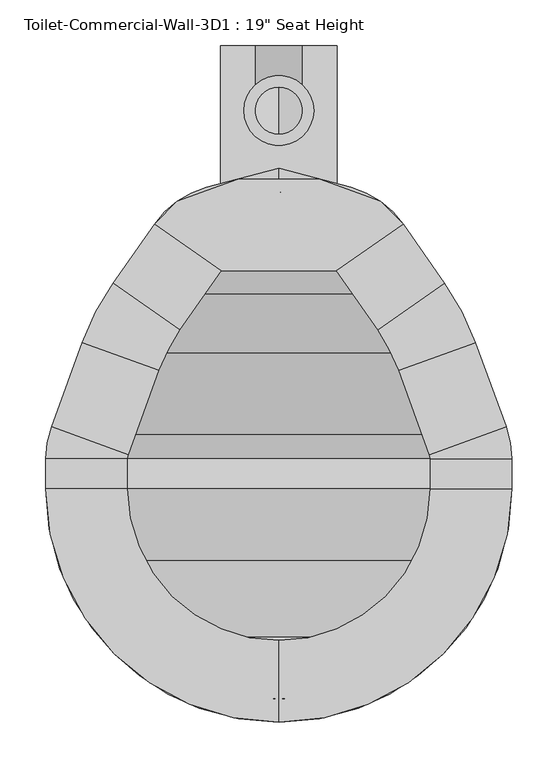
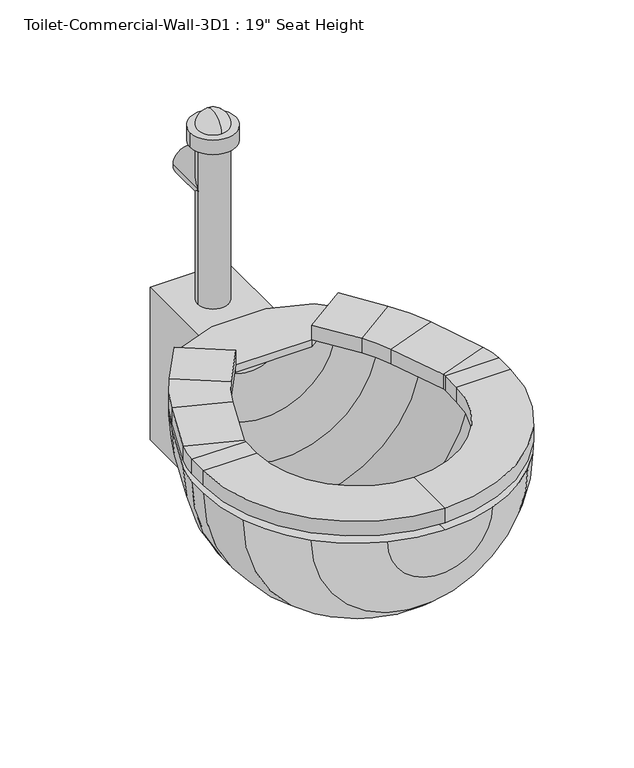
"""IFC4 building model written with IfcOpenShell, lengths in millimetres: flow terminal geometry."""

from ifc_helpers import new_model, si_unit, point, frame, frame_2d, origin, place, context, project, spatial, polyline, circle_curve, ellipse_curve, trimmed, segment, composite_curve, outline, extrude, source, transform, mapped, element, save
from ifc_brep_helpers import plane_surface, cylinder_surface, revolved_surface, advanced_brep


def flow_terminal_f41fbefa(model_context):
    return source(origin(), model_context, "Body", "SolidModel", [
        extrude(outline(polyline([(467.7541169, -346.6347495), (342.0521907, -346.6347495), (269.229574, -295.6438043), (294.1800557, -270.6933226), (360.2423986, -246.6485961), (449.563909, -246.6485961), (515.6262519, -270.6933226), (540.5767337, -295.6438043), (467.7541169, -346.6347495)])), frame((0.0, 0.0, 444.5), z_axis=(0.0, 0.0, 1.0), x_axis=(1.0, 0.0, 0.0)), (0.0, 0.0, 1.0), 12.7),
        advanced_brep(
        [(467.7541169, -346.6347495, 457.2), (467.7541169, -346.6347495, 482.6), (540.5767337, -295.6438043, 482.6), (540.5767337, -295.6438043, 457.2), (585.6810159, -360.0593951, 457.2), (512.8583992, -411.0503403, 457.2), (585.6810159, -360.0593951, 482.6), (512.8583992, -411.0503403, 482.6), (619.360053, -424.7562234, 457.2), (535.821379, -455.1618141, 457.2), (619.360053, -424.7562234, 482.6), (535.821379, -455.1618141, 482.6), (652.7759241, -516.5655747, 457.2), (569.2372501, -546.9711654, 457.2), (652.7759241, -516.5655747, 482.6), (569.2372501, -546.9711654, 482.6), (658.9031538, -551.3148212, 457.2), (570.0031538, -551.3148212, 457.2), (658.9031538, -551.3148212, 482.6), (570.0031538, -551.3148212, 482.6), (658.9031538, -584.2, 457.2), (570.0031538, -584.2, 457.2), (658.9031538, -584.2, 482.6), (570.0031538, -584.2, 482.6), (404.9031538, -838.2, 457.2), (404.9031538, -749.3, 457.2), (404.9031538, -838.2, 482.6), (404.9031538, -749.3, 482.6), (150.9031538, -584.2, 457.2), (239.8031538, -584.2, 457.2), (150.9031538, -584.2, 482.6), (239.8031538, -584.2, 482.6), (150.9031538, -551.3148212, 457.2), (239.8031538, -551.3148212, 457.2), (150.9031538, -551.3148212, 482.6), (239.8031538, -551.3148212, 482.6), (157.0303835, -516.5655747, 457.2), (240.5690575, -546.9711654, 457.2), (157.0303835, -516.5655747, 482.6), (240.5690575, -546.9711654, 482.6), (190.4462546, -424.7562234, 457.2), (273.9849286, -455.1618141, 457.2), (190.4462546, -424.7562234, 482.6), (273.9849286, -455.1618141, 482.6), (224.1252917, -360.0593951, 457.2), (296.9479084, -411.0503403, 457.2), (224.1252917, -360.0593951, 482.6), (296.9479084, -411.0503403, 482.6), (342.0521907, -346.6347495, 457.2), (269.229574, -295.6438043, 457.2), (269.229574, -295.6438043, 482.6), (342.0521907, -346.6347495, 482.6)],
        [
            (0, 1),
            (1, 2),
            (2, 3),
            (3, 0),
            (3, 4),
            (4, 5),
            (5, 0),
            (2, 6),
            (6, 4),
            (1, 7),
            (7, 6),
            (5, 7),
            (8, 9),
            (9, 5, circle_curve(frame((356.8099347, -520.3166514, 457.2), z_axis=(0.0, 0.0, 1.0), x_axis=(0.81915204428899, 0.5735764363510486, 0.0)), 190.5)),
            (4, 8, circle_curve(frame((356.8099347, -520.3166514, 457.2), z_axis=(0.0, 0.0, -1.0), x_axis=(0.81915204428899, 0.5735764363510486, 0.0)), 279.4)),
            (10, 8),
            (6, 10, circle_curve(frame((356.8099347, -520.3166514, 482.6), z_axis=(0.0, 0.0, -1.0), x_axis=(0.81915204428899, 0.5735764363510486, 0.0)), 279.4)),
            (11, 10),
            (7, 11, circle_curve(frame((356.8099347, -520.3166514, 482.6), z_axis=(0.0, 0.0, -1.0), x_axis=(0.81915204428899, 0.5735764363510486, 0.0)), 190.5)),
            (9, 11),
            (8, 12),
            (12, 13),
            (13, 9),
            (10, 14),
            (14, 12),
            (11, 15),
            (15, 14),
            (13, 15),
            (16, 17),
            (17, 13, circle_curve(frame((557.3031538, -551.3148212, 457.2), z_axis=(0.0, 0.0, 1.0), x_axis=(0.9396926207859057, 0.3420201433256761, 0.0)), 12.7)),
            (12, 16, circle_curve(frame((557.3031538, -551.3148212, 457.2), z_axis=(0.0, 0.0, -1.0), x_axis=(0.9396926207859057, 0.3420201433256761, 0.0)), 101.6)),
            (18, 16),
            (14, 18, circle_curve(frame((557.3031538, -551.3148212, 482.6), z_axis=(0.0, 0.0, -1.0), x_axis=(0.9396926207859057, 0.3420201433256761, 0.0)), 101.6)),
            (19, 18),
            (15, 19, circle_curve(frame((557.3031538, -551.3148212, 482.6), z_axis=(0.0, 0.0, -1.0), x_axis=(0.9396926207859057, 0.3420201433256761, 0.0)), 12.7)),
            (17, 19),
            (16, 20),
            (20, 21),
            (21, 17),
            (18, 22),
            (22, 20),
            (19, 23),
            (23, 22),
            (21, 23),
            (24, 25),
            (25, 21, circle_curve(frame((404.9031538, -584.2, 457.2), z_axis=(0.0, 0.0, 1.0), x_axis=(1.0, 0.0, 0.0)), 165.1)),
            (20, 24, circle_curve(frame((404.9031538, -584.2, 457.2), z_axis=(0.0, 0.0, -1.0), x_axis=(1.0, 0.0, 0.0)), 254.0)),
            (26, 24),
            (22, 26, circle_curve(frame((404.9031538, -584.2, 482.6), z_axis=(0.0, 0.0, -1.0), x_axis=(1.0, 0.0, 0.0)), 254.0)),
            (27, 26),
            (23, 27, circle_curve(frame((404.9031538, -584.2, 482.6), z_axis=(0.0, 0.0, -1.0), x_axis=(1.0, 0.0, 0.0)), 165.1)),
            (25, 27),
            (28, 29),
            (29, 25, circle_curve(frame((404.9031538, -584.2, 457.2), z_axis=(0.0, 0.0, 1.0), x_axis=(0.0, -1.0, 0.0)), 165.1)),
            (24, 28, circle_curve(frame((404.9031538, -584.2, 457.2), z_axis=(0.0, 0.0, -1.0), x_axis=(0.0, -1.0, 0.0)), 254.0)),
            (30, 28),
            (26, 30, circle_curve(frame((404.9031538, -584.2, 482.6), z_axis=(0.0, 0.0, -1.0), x_axis=(0.0, -1.0, 0.0)), 254.0)),
            (31, 30),
            (27, 31, circle_curve(frame((404.9031538, -584.2, 482.6), z_axis=(0.0, 0.0, -1.0), x_axis=(0.0, -1.0, 0.0)), 165.1)),
            (29, 31),
            (28, 32),
            (32, 33),
            (33, 29),
            (30, 34),
            (34, 32),
            (31, 35),
            (35, 34),
            (33, 35),
            (36, 37),
            (37, 33, circle_curve(frame((252.5031538, -551.3148212, 457.2), z_axis=(0.0, 0.0, 1.0), x_axis=(-1.0, 0.0, 0.0)), 12.7)),
            (32, 36, circle_curve(frame((252.5031538, -551.3148212, 457.2), z_axis=(0.0, 0.0, -1.0), x_axis=(-1.0, 0.0, 0.0)), 101.6)),
            (38, 36),
            (34, 38, circle_curve(frame((252.5031538, -551.3148212, 482.6), z_axis=(0.0, 0.0, -1.0), x_axis=(-1.0, 0.0, 0.0)), 101.6)),
            (39, 38),
            (35, 39, circle_curve(frame((252.5031538, -551.3148212, 482.6), z_axis=(0.0, 0.0, -1.0), x_axis=(-1.0, 0.0, 0.0)), 12.7)),
            (37, 39),
            (36, 40),
            (40, 41),
            (41, 37),
            (38, 42),
            (42, 40),
            (39, 43),
            (43, 42),
            (41, 43),
            (44, 45),
            (45, 41, circle_curve(frame((452.9963729, -520.3166514, 457.2), z_axis=(0.0, 0.0, 1.0), x_axis=(-0.939692620785909, 0.3420201433256672, 0.0)), 190.5)),
            (40, 44, circle_curve(frame((452.9963729, -520.3166514, 457.2), z_axis=(0.0, 0.0, -1.0), x_axis=(-0.939692620785909, 0.3420201433256672, 0.0)), 279.4)),
            (46, 44),
            (42, 46, circle_curve(frame((452.9963729, -520.3166514, 482.6), z_axis=(0.0, 0.0, -1.0), x_axis=(-0.939692620785909, 0.3420201433256672, 0.0)), 279.4)),
            (47, 46),
            (43, 47, circle_curve(frame((452.9963729, -520.3166514, 482.6), z_axis=(0.0, 0.0, -1.0), x_axis=(-0.939692620785909, 0.3420201433256672, 0.0)), 190.5)),
            (45, 47),
            (48, 49),
            (49, 50),
            (50, 51),
            (51, 48),
            (44, 49),
            (48, 45),
            (46, 50),
            (47, 51),
        ],
        [
            plane_surface(frame((540.5767337, -295.6438043, 541.2203184), z_axis=(-0.5735764363510388, 0.8191520442889969, 0.0), x_axis=(0.8191520442889969, 0.5735764363510388, 0.0))),
            plane_surface(frame((467.7541169, -346.6347495, 457.2), z_axis=(0.0, 0.0, -1.0), x_axis=(0.5735764363510382, -0.8191520442889973, 0.0))),
            plane_surface(frame((540.5767337, -295.6438043, 457.2), z_axis=(0.8191520442889971, 0.5735764363510386, 0.0), x_axis=(0.5735764363510386, -0.8191520442889971, 0.0))),
            plane_surface(frame((540.5767337, -295.6438043, 482.6), z_axis=(0.0, 0.0, 1.0), x_axis=(0.5735764363510393, -0.8191520442889966, 0.0))),
            plane_surface(frame((467.7541169, -346.6347495, 482.6), z_axis=(-0.8191520442889966, -0.5735764363510393, 0.0), x_axis=(0.5735764363510393, -0.8191520442889966, 0.0))),
            plane_surface(frame((356.8099347, -520.3166514, 457.2), z_axis=(0.0, 0.0, -1.0), x_axis=(0.81915204428899, 0.5735764363510486, 0.0))),
            cylinder_surface(frame((356.8099347, -520.3166514, 444.5), z_axis=(0.0, 0.0, 1.0), x_axis=(0.81915204428899, 0.5735764363510486, 0.0)), 279.4),
            plane_surface(frame((356.8099347, -520.3166514, 482.6), z_axis=(0.0, 0.0, 1.0), x_axis=(0.81915204428899, 0.5735764363510486, 0.0))),
            revolved_surface(polyline([(512.8583991370526, -411.0503402751252, 482.6), (512.8583991370526, -411.0503402751252, 457.2)]), (356.8099347, -520.3166514, 444.5), (0.0, 0.0, 1.0)),
            plane_surface(frame((535.821379, -455.1618141, 457.2), z_axis=(0.0, 0.0, -1.0), x_axis=(0.34202014332566355, -0.9396926207859103, 0.0))),
            plane_surface(frame((619.360053, -424.7562234, 457.2), z_axis=(0.9396926207859104, 0.3420201433256633, 0.0), x_axis=(0.3420201433256633, -0.9396926207859104, 0.0))),
            plane_surface(frame((619.360053, -424.7562234, 482.6), z_axis=(0.0, 0.0, 1.0000000000000002), x_axis=(0.3420201433256645, -0.93969262078591, 0.0))),
            plane_surface(frame((535.821379, -455.1618141, 482.6), z_axis=(-0.9396926207859099, -0.3420201433256646, 0.0), x_axis=(0.3420201433256646, -0.9396926207859099, 0.0))),
            plane_surface(frame((557.3031538, -551.3148212, 457.2), z_axis=(0.0, 0.0, -1.0000000000000002), x_axis=(0.9396926207859058, 0.34202014332567615, 0.0))),
            cylinder_surface(frame((557.3031538, -551.3148212, 444.5), z_axis=(0.0, 0.0, 1.0), x_axis=(0.9396926207859057, 0.3420201433256761, 0.0)), 101.6),
            plane_surface(frame((557.3031538, -551.3148212, 482.6), z_axis=(0.0, 0.0, 1.0000000000000002), x_axis=(0.9396926207859058, 0.34202014332567615, 0.0))),
            revolved_surface(polyline([(569.237250083981, -546.9711653797639, 482.6), (569.237250083981, -546.9711653797639, 457.2)]), (557.3031538, -551.3148212, 444.5), (0.0, 0.0, 1.0)),
            plane_surface(frame((570.0031538, -551.3148212, 457.2), z_axis=(0.0, 0.0, -1.0), x_axis=(0.0, -1.0, 0.0))),
            plane_surface(frame((658.9031538, -551.3148212, 457.2), z_axis=(1.0, 0.0, 0.0), x_axis=(0.0, -1.0, 0.0))),
            plane_surface(frame((658.9031538, -551.3148212, 482.6), z_axis=(0.0, 0.0, 1.0), x_axis=(0.0, -1.0, 0.0))),
            plane_surface(frame((570.0031538, -551.3148212, 482.6), z_axis=(-1.0, 0.0, 0.0), x_axis=(0.0, -1.0, 0.0))),
            plane_surface(frame((404.9031538, -584.2, 457.2), z_axis=(0.0, 0.0, -1.0), x_axis=(1.0, 0.0, 0.0))),
            cylinder_surface(frame((404.9031538, -584.2, 444.5), z_axis=(0.0, 0.0, 1.0), x_axis=(1.0, 0.0, 0.0)), 254.0),
            plane_surface(frame((404.9031538, -584.2, 482.6), z_axis=(0.0, 0.0, 1.0), x_axis=(1.0, 0.0, 0.0))),
            revolved_surface(polyline([(570.0031538, -584.2, 482.6), (570.0031538, -584.2, 457.2)]), (404.9031538, -584.2, 444.5), (0.0, 0.0, 1.0)),
            plane_surface(frame((404.9031538, -584.2, 457.2), z_axis=(0.0, 0.0, -1.0), x_axis=(0.0, -1.0, 0.0))),
            cylinder_surface(frame((404.9031538, -584.2, 444.5), z_axis=(0.0, 0.0, 1.0), x_axis=(0.0, -1.0, 0.0)), 254.0),
            plane_surface(frame((404.9031538, -584.2, 482.6), z_axis=(0.0, 0.0, 1.0), x_axis=(0.0, -1.0, 0.0))),
            revolved_surface(polyline([(404.9031538, -749.3000000000001, 482.6), (404.9031538, -749.3000000000001, 457.2)]), (404.9031538, -584.2, 444.5), (0.0, 0.0, 1.0)),
            plane_surface(frame((239.8031538, -584.2, 457.2), z_axis=(0.0, 0.0, -1.0), x_axis=(0.0, 1.0, 0.0))),
            plane_surface(frame((150.9031538, -584.2, 457.2), z_axis=(-1.0, 0.0, 0.0), x_axis=(0.0, 1.0, 0.0))),
            plane_surface(frame((150.9031538, -584.2, 482.6), z_axis=(0.0, 0.0, 1.0), x_axis=(0.0, 1.0, 0.0))),
            plane_surface(frame((239.8031538, -584.2, 482.6), z_axis=(1.0, 0.0, 0.0), x_axis=(0.0, 1.0, 0.0))),
            plane_surface(frame((252.5031538, -551.3148212, 457.2), z_axis=(0.0, 0.0, -1.0), x_axis=(-1.0, 0.0, 0.0))),
            cylinder_surface(frame((252.5031538, -551.3148212, 444.5), z_axis=(0.0, 0.0, 1.0), x_axis=(-1.0, 0.0, 0.0)), 101.6),
            plane_surface(frame((252.5031538, -551.3148212, 482.6), z_axis=(0.0, 0.0, 1.0), x_axis=(-1.0, 0.0, 0.0))),
            revolved_surface(polyline([(239.80315380000002, -551.3148212, 482.6), (239.80315380000002, -551.3148212, 457.2)]), (252.5031538, -551.3148212, 444.5), (0.0, 0.0, 1.0)),
            plane_surface(frame((240.5690575, -546.9711654, 457.2), z_axis=(0.0, 0.0, -1.0), x_axis=(0.34202014332565556, 0.9396926207859132, 0.0))),
            plane_surface(frame((157.0303835, -516.5655747, 457.2), z_axis=(-0.9396926207859131, 0.34202014332565583, 0.0), x_axis=(0.34202014332565583, 0.9396926207859131, 0.0))),
            plane_surface(frame((157.0303835, -516.5655747, 482.6), z_axis=(0.0, 0.0, 1.0), x_axis=(0.3420201433256552, 0.9396926207859133, 0.0))),
            plane_surface(frame((240.5690575, -546.9711654, 482.6), z_axis=(0.9396926207859132, -0.34202014332565556, 0.0), x_axis=(0.34202014332565556, 0.9396926207859132, 0.0))),
            plane_surface(frame((452.9963729, -520.3166514, 457.2), z_axis=(0.0, 0.0, -1.0), x_axis=(-0.939692620785909, 0.3420201433256672, 0.0))),
            cylinder_surface(frame((452.9963729, -520.3166514, 444.5), z_axis=(0.0, 0.0, 1.0), x_axis=(-0.939692620785909, 0.3420201433256672, 0.0)), 279.4),
            plane_surface(frame((452.9963729, -520.3166514, 482.6), z_axis=(0.0, 0.0, 1.0), x_axis=(-0.939692620785909, 0.3420201433256672, 0.0))),
            revolved_surface(polyline([(273.98492864028435, -455.1618140964604, 482.6), (273.98492864028435, -455.1618140964604, 457.2)]), (452.9963729, -520.3166514, 444.5), (0.0, 0.0, 1.0)),
            plane_surface(frame((269.229574, -295.6438043, 347.7796816), z_axis=(0.5735764363510506, 0.8191520442889887, 0.0), x_axis=(0.8191520442889887, -0.5735764363510506, 0.0))),
            plane_surface(frame((296.9479084, -411.0503403, 457.2), z_axis=(0.0, 0.0, -1.0), x_axis=(0.5735764363510505, 0.8191520442889888, 0.0))),
            plane_surface(frame((224.1252917, -360.0593951, 457.2), z_axis=(-0.8191520442889889, 0.5735764363510503, 0.0), x_axis=(0.5735764363510503, 0.8191520442889889, 0.0))),
            plane_surface(frame((224.1252917, -360.0593951, 482.6), z_axis=(0.0, 0.0, 1.0), x_axis=(0.5735764363510503, 0.8191520442889889, 0.0))),
            plane_surface(frame((296.9479084, -411.0503403, 482.6), z_axis=(0.8191520442889887, -0.5735764363510507, 0.0), x_axis=(0.5735764363510507, 0.8191520442889887, 0.0))),
        ],
        [
            (0, [[1, 2, 3, 4]]),
            (1, [[5, 6, 7, -4]]),
            (2, [[8, 9, -5, -3]]),
            (3, [[10, 11, -8, -2]]),
            (4, [[-7, 12, -10, -1]]),
            (5, [[13, 14, -6, 15]]),
            (6, [[16, -15, -9, 17]]),
            (7, [[18, -17, -11, 19]]),
            (8, [[20, -19, -12, -14]]),
            (9, [[21, 22, 23, -13]]),
            (10, [[24, 25, -21, -16]]),
            (11, [[26, 27, -24, -18]]),
            (12, [[-23, 28, -26, -20]]),
            (13, [[29, 30, -22, 31]]),
            (14, [[32, -31, -25, 33]]),
            (15, [[34, -33, -27, 35]]),
            (16, [[36, -35, -28, -30]]),
            (17, [[37, 38, 39, -29]]),
            (18, [[40, 41, -37, -32]]),
            (19, [[42, 43, -40, -34]]),
            (20, [[-39, 44, -42, -36]]),
            (21, [[45, 46, -38, 47]]),
            (22, [[48, -47, -41, 49]]),
            (23, [[50, -49, -43, 51]]),
            (24, [[52, -51, -44, -46]]),
            (25, [[53, 54, -45, 55]]),
            (26, [[56, -55, -48, 57]]),
            (27, [[58, -57, -50, 59]]),
            (28, [[60, -59, -52, -54]]),
            (29, [[61, 62, 63, -53]]),
            (30, [[64, 65, -61, -56]]),
            (31, [[66, 67, -64, -58]]),
            (32, [[-63, 68, -66, -60]]),
            (33, [[69, 70, -62, 71]]),
            (34, [[72, -71, -65, 73]]),
            (35, [[74, -73, -67, 75]]),
            (36, [[76, -75, -68, -70]]),
            (37, [[77, 78, 79, -69]]),
            (38, [[80, 81, -77, -72]]),
            (39, [[82, 83, -80, -74]]),
            (40, [[-79, 84, -82, -76]]),
            (41, [[85, 86, -78, 87]]),
            (42, [[88, -87, -81, 89]]),
            (43, [[90, -89, -83, 91]]),
            (44, [[92, -91, -84, -86]]),
            (45, [[93, 94, 95, 96]]),
            (46, [[97, -93, 98, -85]]),
            (47, [[99, -94, -97, -88]]),
            (48, [[100, -95, -99, -90]]),
            (49, [[-98, -96, -100, -92]]),
        ],
    ),
        advanced_brep(
        [(491.7762702, -822.8819257, 444.5), (584.5082762, -763.8051224, 444.5), (643.5850795, -671.0731164, 444.5), (658.9031538, -584.2, 444.5), (658.9031538, -551.3148212, 444.5), (652.7759241, -516.5655747, 444.5), (619.360053, -424.7562234, 444.5), (585.6810159, -360.0593951, 444.5), (540.5767337, -295.6438043, 444.5), (483.6469009, -255.7811063, 444.5), (404.9031538, -234.6817829, 444.5), (404.9031538, -260.9777978, 444.5), (468.1430637, -277.9228806, 444.5), (525.0728964, -317.7855786, 444.5), (562.9565296, -371.8890139, 444.5), (596.6355667, -436.5858422, 444.5), (628.9077315, -525.2528863, 444.5), (633.5031538, -551.3148212, 444.5), (633.5031538, -584.2, 444.5), (619.7168869, -662.3858048, 444.5), (566.547764, -745.8446102, 444.5), (483.0889586, -799.0137331, 444.5), (404.9031538, -812.8, 444.5), (404.9031538, -838.2, 444.5), (318.0300374, -822.8819257, 444.5), (326.7173491, -799.0137331, 444.5), (243.2585436, -745.8446102, 444.5), (190.0894207, -662.3858048, 444.5), (176.3031538, -584.2, 444.5), (176.3031538, -551.3148212, 444.5), (180.8985761, -525.2528863, 444.5), (213.1707409, -436.5858422, 444.5), (246.849778, -371.8890139, 444.5), (284.7334112, -317.7855786, 444.5), (341.663244, -277.9228806, 444.5), (326.1594067, -255.7811063, 444.5), (269.229574, -295.6438043, 444.5), (224.1252917, -360.0593951, 444.5), (190.4462546, -424.7562234, 444.5), (157.0303835, -516.5655747, 444.5), (150.9031538, -551.3148212, 444.5), (150.9031538, -584.2, 444.5), (166.2212281, -671.0731164, 444.5), (225.2980314, -763.8051224, 444.5)],
        [
            (0, 1, circle_curve(frame((404.9031538, -584.2, 444.5), z_axis=(0.0, 0.0, 1.0), x_axis=(1.0, 0.0, 0.0)), 254.0)),
            (1, 2, circle_curve(frame((404.9031538, -584.2, 444.5), z_axis=(0.0, 0.0, 1.0), x_axis=(1.0, 0.0, 0.0)), 254.0)),
            (2, 3, circle_curve(frame((404.9031538, -584.2, 444.5), z_axis=(0.0, 0.0, 1.0), x_axis=(1.0, 0.0, 0.0)), 254.0)),
            (3, 4),
            (4, 5, circle_curve(frame((557.3031538, -551.3148212, 444.5), z_axis=(0.0, 0.0, 1.0), x_axis=(1.0, 0.0, 0.0)), 101.6)),
            (5, 6),
            (6, 7, circle_curve(frame((356.8099347, -520.3166514, 444.5), z_axis=(0.0, 0.0, 1.0), x_axis=(1.0, 0.0, 0.0)), 279.4)),
            (7, 8),
            (8, 9, circle_curve(frame((457.350886, -353.9191703, 444.5), z_axis=(0.0, 0.0, 1.0), x_axis=(1.0, 0.0, 0.0)), 101.6)),
            (9, 10),
            (10, 11),
            (11, 12),
            (12, 13, circle_curve(frame((441.8470487, -376.0609446, 444.5), z_axis=(0.0, 0.0, -1.0), x_axis=(1.0, 0.0, 0.0)), 101.6)),
            (13, 14),
            (14, 15, circle_curve(frame((334.0854485, -532.1462703, 444.5), z_axis=(0.0, 0.0, -1.0), x_axis=(1.0, 0.0, 0.0)), 279.4)),
            (15, 16),
            (16, 17, circle_curve(frame((557.3031538, -551.3148212, 444.5), z_axis=(0.0, 0.0, -1.0), x_axis=(1.0, 0.0, 0.0)), 76.2)),
            (17, 18),
            (18, 19, circle_curve(frame((404.9031538, -584.2, 444.5), z_axis=(0.0, 0.0, -1.0), x_axis=(1.0, 0.0, 0.0)), 228.6)),
            (19, 20, circle_curve(frame((404.9031538, -584.2, 444.5), z_axis=(0.0, 0.0, -1.0), x_axis=(1.0, 0.0, 0.0)), 228.6)),
            (20, 21, circle_curve(frame((404.9031538, -584.2, 444.5), z_axis=(0.0, 0.0, -1.0), x_axis=(1.0, 0.0, 0.0)), 228.6)),
            (21, 22, circle_curve(frame((404.9031538, -584.2, 444.5), z_axis=(0.0, 0.0, -1.0), x_axis=(1.0, 0.0, 0.0)), 228.6)),
            (22, 23),
            (23, 0, circle_curve(frame((404.9031538, -584.2, 444.5), z_axis=(0.0, 0.0, 1.0), x_axis=(1.0, 0.0, 0.0)), 254.0)),
            (24, 23, circle_curve(frame((404.9031538, -584.2, 444.5), z_axis=(0.0, 0.0, 1.0), x_axis=(-1.0, 0.0, 0.0)), 254.0)),
            (22, 25, circle_curve(frame((404.9031538, -584.2, 444.5), z_axis=(0.0, 0.0, -1.0), x_axis=(-1.0, 0.0, 0.0)), 228.6)),
            (25, 26, circle_curve(frame((404.9031538, -584.2, 444.5), z_axis=(0.0, 0.0, -1.0), x_axis=(-1.0, 0.0, 0.0)), 228.6)),
            (26, 27, circle_curve(frame((404.9031538, -584.2, 444.5), z_axis=(0.0, 0.0, -1.0), x_axis=(-1.0, 0.0, 0.0)), 228.6)),
            (27, 28, circle_curve(frame((404.9031538, -584.2, 444.5), z_axis=(0.0, 0.0, -1.0), x_axis=(-1.0, 0.0, 0.0)), 228.6)),
            (28, 29),
            (29, 30, circle_curve(frame((252.5031538, -551.3148212, 444.5), z_axis=(0.0, 0.0, -1.0), x_axis=(-1.0, 0.0, 0.0)), 76.2)),
            (30, 31),
            (31, 32, circle_curve(frame((475.7208592, -532.1462703, 444.5), z_axis=(0.0, 0.0, -1.0), x_axis=(-1.0, 0.0, 0.0)), 279.4)),
            (32, 33),
            (33, 34, circle_curve(frame((367.9592589, -376.0609446, 444.5), z_axis=(0.0, 0.0, -1.0), x_axis=(-1.0, 0.0, 0.0)), 101.6)),
            (34, 11),
            (10, 35),
            (35, 36, circle_curve(frame((352.4554217, -353.9191703, 444.5), z_axis=(0.0, 0.0, 1.0), x_axis=(-1.0, 0.0, 0.0)), 101.6)),
            (36, 37),
            (37, 38, circle_curve(frame((452.9963729, -520.3166514, 444.5), z_axis=(0.0, 0.0, 1.0), x_axis=(-1.0, 0.0, 0.0)), 279.4)),
            (38, 39),
            (39, 40, circle_curve(frame((252.5031538, -551.3148212, 444.5), z_axis=(0.0, 0.0, 1.0), x_axis=(-1.0, 0.0, 0.0)), 101.6)),
            (40, 41),
            (41, 42, circle_curve(frame((404.9031538, -584.2, 444.5), z_axis=(0.0, 0.0, 1.0), x_axis=(-1.0, 0.0, 0.0)), 254.0)),
            (42, 43, circle_curve(frame((404.9031538, -584.2, 444.5), z_axis=(0.0, 0.0, 1.0), x_axis=(-1.0, 0.0, 0.0)), 254.0)),
            (43, 24, circle_curve(frame((404.9031538, -584.2, 444.5), z_axis=(0.0, 0.0, 1.0), x_axis=(-1.0, 0.0, 0.0)), 254.0)),
            (24, 0, circle_curve(frame((404.9031538, -822.8819257, 444.5), z_axis=(0.0, -1.0, 0.0), x_axis=(1.0, 0.0, 0.0)), 86.8731164)),
            (21, 25, circle_curve(frame((404.9031538, -799.0137331, 444.5), z_axis=(0.0, 1.0, 0.0), x_axis=(1.0, 0.0, 0.0)), 78.1858048)),
            (20, 26, circle_curve(frame((404.9031538, -745.8446102, 444.5), z_axis=(0.0, 1.0, 0.0), x_axis=(1.0, 0.0, 0.0)), 161.6446102)),
            (19, 27, circle_curve(frame((404.9031538, -662.3858048, 444.5), z_axis=(0.0, 1.0, 0.0), x_axis=(1.0, 0.0, 0.0)), 214.8137331)),
            (18, 28, circle_curve(frame((404.9031538, -584.2, 444.5), z_axis=(0.0, 1.0, 0.0), x_axis=(1.0, 0.0, 0.0)), 228.6)),
            (17, 29, circle_curve(frame((404.9031538, -551.3148212, 444.5), z_axis=(0.0, 1.0, 0.0), x_axis=(1.0, 0.0, 0.0)), 228.6)),
            (16, 30, circle_curve(frame((404.9031538, -525.2528863, 444.5), z_axis=(0.0, 1.0, 0.0), x_axis=(1.0, 0.0, 0.0)), 224.0045777)),
            (15, 31, circle_curve(frame((404.9031538, -436.5858422, 444.5), z_axis=(0.0, 1.0, 0.0), x_axis=(1.0, 0.0, 0.0)), 191.7324129)),
            (14, 32, circle_curve(frame((404.9031538, -371.8890139, 444.5), z_axis=(0.0, 1.0, 0.0), x_axis=(1.0, 0.0, 0.0)), 158.0533758)),
            (13, 33, circle_curve(frame((404.9031538, -317.7855786, 444.5), z_axis=(0.0, 1.0, 0.0), x_axis=(1.0, 0.0, 0.0)), 120.1697426)),
            (12, 34, circle_curve(frame((404.9031538, -277.9228806, 444.5), z_axis=(0.0, 1.0, 0.0), x_axis=(1.0, 0.0, 0.0)), 63.2399099)),
            (9, 35, circle_curve(frame((404.9031538, -255.7811063, 444.5), z_axis=(0.0, 1.0, 0.0), x_axis=(1.0, 0.0, 0.0)), 78.7437471)),
            (8, 36, circle_curve(frame((404.9031538, -295.6438043, 444.5), z_axis=(0.0, 1.0, 0.0), x_axis=(1.0, 0.0, 0.0)), 135.6735798)),
            (7, 37, circle_curve(frame((404.9031538, -360.0593951, 444.5), z_axis=(0.0, 1.0, 0.0), x_axis=(1.0, 0.0, 0.0)), 180.7778621)),
            (6, 38, circle_curve(frame((404.9031538, -424.7562234, 444.5), z_axis=(0.0, 1.0, 0.0), x_axis=(1.0, 0.0, 0.0)), 214.4568992)),
            (5, 39, circle_curve(frame((404.9031538, -516.5655747, 444.5), z_axis=(0.0, 1.0, 0.0), x_axis=(1.0, 0.0, 0.0)), 247.8727703)),
            (4, 40, circle_curve(frame((404.9031538, -551.3148212, 444.5), z_axis=(0.0, 1.0, 0.0), x_axis=(1.0, 0.0, 0.0)), 254.0)),
            (3, 41, circle_curve(frame((404.9031538, -584.2, 444.5), z_axis=(0.0, 1.0, 0.0), x_axis=(1.0, 0.0, 0.0)), 254.0)),
            (2, 42, circle_curve(frame((404.9031538, -671.0731164, 444.5), z_axis=(0.0, 1.0, 0.0), x_axis=(1.0, 0.0, 0.0)), 238.6819257)),
            (1, 43, circle_curve(frame((404.9031538, -763.8051224, 444.5), z_axis=(0.0, 1.0, 0.0), x_axis=(1.0, 0.0, 0.0)), 179.6051224)),
        ],
        [
            plane_surface(frame((404.9031538, -943.4102448, 444.5), z_axis=(0.0, 0.0, 1.0), x_axis=(1.0, 0.0, 0.0))),
            plane_surface(frame((404.9031538, -943.4102448, 444.5), z_axis=(0.0, 0.0, 1.0), x_axis=(-1.0, 0.0, 0.0))),
            revolved_surface(trimmed(ellipse_curve(frame((404.9031538, -584.2, 444.5), z_axis=(0.0, 0.0, -1.0), x_axis=(1.0, 0.0, 0.0)), 254.0, 254.0), [point((491.7762702, -822.8819257, 444.5))], [point((404.9031538, -838.2, 444.5))], True, "CARTESIAN"), (404.9031538, -943.4102448, 444.5), (0.0, -1.0, 0.0)),
            revolved_surface(trimmed(ellipse_curve(frame((404.9031538, -584.2, 444.5), z_axis=(0.0, 0.0, 1.0), x_axis=(1.0, 0.0, 0.0)), 228.6, 228.6), [point((404.9031538, -812.8, 444.5))], [point((483.0889586, -799.0137331, 444.5))], True, "CARTESIAN"), (404.9031538, -943.4102448, 444.5), (0.0, -1.0, 0.0)),
            revolved_surface(trimmed(ellipse_curve(frame((404.9031538, -584.2, 444.5), z_axis=(0.0, 0.0, 1.0), x_axis=(1.0, 0.0, 0.0)), 228.6, 228.6), [point((483.0889586, -799.0137331, 444.5))], [point((566.547764, -745.8446102, 444.5))], True, "CARTESIAN"), (404.9031538, -943.4102448, 444.5), (0.0, -1.0, 0.0)),
            revolved_surface(trimmed(ellipse_curve(frame((404.9031538, -584.2, 444.5), z_axis=(0.0, 0.0, 1.0), x_axis=(1.0, 0.0, 0.0)), 228.6, 228.6), [point((566.547764, -745.8446102, 444.5))], [point((619.7168869, -662.3858048, 444.5))], True, "CARTESIAN"), (404.9031538, -943.4102448, 444.5), (0.0, -1.0, 0.0)),
            revolved_surface(trimmed(ellipse_curve(frame((404.9031538, -584.2, 444.5), z_axis=(0.0, 0.0, 1.0), x_axis=(1.0, 0.0, 0.0)), 228.6, 228.6), [point((619.7168869, -662.3858048, 444.5))], [point((633.5031538, -584.2, 444.5))], True, "CARTESIAN"), (404.9031538, -943.4102448, 444.5), (0.0, -1.0, 0.0)),
            revolved_surface(polyline([(633.5031538, -584.2, 444.5), (633.5031538, -551.3148212, 444.5)]), (404.9031538, -943.4102448, 444.5), (0.0, -1.0, 0.0)),
            revolved_surface(trimmed(ellipse_curve(frame((557.3031538, -551.3148212, 444.5), z_axis=(0.0, 0.0, 1.0), x_axis=(1.0, 0.0, 0.0)), 76.2, 76.2), [point((633.5031538, -551.3148212, 444.5))], [point((628.9077315, -525.2528863, 444.5))], True, "CARTESIAN"), (404.9031538, -943.4102448, 444.5), (0.0, -1.0, 0.0)),
            revolved_surface(polyline([(628.9077315, -525.2528863, 444.5), (596.6355667, -436.5858422, 444.5)]), (404.9031538, -943.4102448, 444.5), (0.0, -1.0, 0.0)),
            revolved_surface(trimmed(ellipse_curve(frame((334.0854485, -532.1462703, 444.5), z_axis=(0.0, 0.0, 1.0), x_axis=(1.0, 0.0, 0.0)), 279.4, 279.4), [point((596.6355667, -436.5858422, 444.5))], [point((562.9565296, -371.8890139, 444.5))], True, "CARTESIAN"), (404.9031538, -943.4102448, 444.5), (0.0, -1.0, 0.0)),
            revolved_surface(polyline([(562.9565296, -371.8890139, 444.5), (525.0728964, -317.7855786, 444.5)]), (404.9031538, -943.4102448, 444.5), (0.0, -1.0, 0.0)),
            revolved_surface(trimmed(ellipse_curve(frame((441.8470487, -376.0609446, 444.5), z_axis=(0.0, 0.0, 1.0), x_axis=(1.0, 0.0, 0.0)), 101.6, 101.6), [point((525.0728964, -317.7855786, 444.5))], [point((468.1430637, -277.9228806, 444.5))], True, "CARTESIAN"), (404.9031538, -943.4102448, 444.5), (0.0, -1.0, 0.0)),
            revolved_surface(polyline([(468.1430637, -277.9228806, 444.5), (404.9031538, -260.9777978, 444.5)]), (404.9031538, -943.4102448, 444.5), (0.0, -1.0, 0.0)),
            revolved_surface(polyline([(404.9031538, -234.6817829, 444.5), (483.6469009, -255.7811063, 444.5)]), (404.9031538, -943.4102448, 444.5), (0.0, -1.0, 0.0)),
            revolved_surface(trimmed(ellipse_curve(frame((457.350886, -353.9191703, 444.5), z_axis=(0.0, 0.0, -1.0), x_axis=(1.0, 0.0, 0.0)), 101.6, 101.6), [point((483.6469009, -255.7811063, 444.5))], [point((540.5767337, -295.6438043, 444.5))], True, "CARTESIAN"), (404.9031538, -943.4102448, 444.5), (0.0, -1.0, 0.0)),
            revolved_surface(polyline([(540.5767337, -295.6438043, 444.5), (585.6810159, -360.0593951, 444.5)]), (404.9031538, -943.4102448, 444.5), (0.0, -1.0, 0.0)),
            revolved_surface(trimmed(ellipse_curve(frame((356.8099347, -520.3166514, 444.5), z_axis=(0.0, 0.0, -1.0), x_axis=(1.0, 0.0, 0.0)), 279.4, 279.4), [point((585.6810159, -360.0593951, 444.5))], [point((619.360053, -424.7562234, 444.5))], True, "CARTESIAN"), (404.9031538, -943.4102448, 444.5), (0.0, -1.0, 0.0)),
            revolved_surface(polyline([(619.360053, -424.7562234, 444.5), (652.7759241, -516.5655747, 444.5)]), (404.9031538, -943.4102448, 444.5), (0.0, -1.0, 0.0)),
            revolved_surface(trimmed(ellipse_curve(frame((557.3031538, -551.3148212, 444.5), z_axis=(0.0, 0.0, -1.0), x_axis=(1.0, 0.0, 0.0)), 101.6, 101.6), [point((652.7759241, -516.5655747, 444.5))], [point((658.9031538, -551.3148212, 444.5))], True, "CARTESIAN"), (404.9031538, -943.4102448, 444.5), (0.0, -1.0, 0.0)),
            cylinder_surface(frame((404.9031538, -943.4102448, 444.5), z_axis=(0.0, -1.0, 0.0), x_axis=(1.0, 0.0, 0.0)), 254.0),
            revolved_surface(trimmed(ellipse_curve(frame((404.9031538, -584.2, 444.5), z_axis=(0.0, 0.0, -1.0), x_axis=(1.0, 0.0, 0.0)), 254.0, 254.0), [point((658.9031538, -584.2, 444.5))], [point((643.5850795, -671.0731164, 444.5))], True, "CARTESIAN"), (404.9031538, -943.4102448, 444.5), (0.0, -1.0, 0.0)),
            revolved_surface(trimmed(ellipse_curve(frame((404.9031538, -584.2, 444.5), z_axis=(0.0, 0.0, -1.0), x_axis=(1.0, 0.0, 0.0)), 254.0, 254.0), [point((643.5850795, -671.0731164, 444.5))], [point((584.5082762, -763.8051224, 444.5))], True, "CARTESIAN"), (404.9031538, -943.4102448, 444.5), (0.0, -1.0, 0.0)),
            revolved_surface(trimmed(ellipse_curve(frame((404.9031538, -584.2, 444.5), z_axis=(0.0, 0.0, -1.0), x_axis=(1.0, 0.0, 0.0)), 254.0, 254.0), [point((584.5082762, -763.8051224, 444.5))], [point((491.7762702, -822.8819257, 444.5))], True, "CARTESIAN"), (404.9031538, -943.4102448, 444.5), (0.0, -1.0, 0.0)),
        ],
        [
            (0, [[1, 2, 3, 4, 5, 6, 7, 8, 9, 10, 11, 12, 13, 14, 15, 16, 17, 18, 19, 20, 21, 22, 23, 24]]),
            (1, [[25, -23, 26, 27, 28, 29, 30, 31, 32, 33, 34, 35, 36, -11, 37, 38, 39, 40, 41, 42, 43, 44, 45, 46]]),
            (2, [[-25, 47, -24]]),
            (3, [[-26, -22, 48]]),
            (4, [[-27, -48, -21, 49]]),
            (5, [[-28, -49, -20, 50]]),
            (6, [[-29, -50, -19, 51]]),
            (7, [[-30, -51, -18, 52]]),
            (8, [[-31, -52, -17, 53]]),
            (9, [[-32, -53, -16, 54]]),
            (10, [[-33, -54, -15, 55]]),
            (11, [[-34, -55, -14, 56]]),
            (12, [[-35, -56, -13, 57]]),
            (13, [[-36, -57, -12]]),
            (14, [[-37, -10, 58]]),
            (15, [[-38, -58, -9, 59]]),
            (16, [[-39, -59, -8, 60]]),
            (17, [[-40, -60, -7, 61]]),
            (18, [[-41, -61, -6, 62]]),
            (19, [[-42, -62, -5, 63]]),
            (20, [[-43, -63, -4, 64]]),
            (21, [[-44, -64, -3, 65]]),
            (22, [[-45, -65, -2, 66]]),
            (23, [[-46, -66, -1, -47]]),
        ],
    ),
        advanced_brep(
        [(404.9031538, -146.5176912, 749.3), (404.9031538, -172.1352737, 774.9175826), (404.9031538, -197.7528563, 749.3), (404.9031538, -172.1352737, 749.3)],
        [
            (0, 1, circle_curve(frame((404.9031538, -172.1352737, 749.3), z_axis=(1.0, 0.0, 0.0), x_axis=(0.0, -1.0, 0.0)), 25.6175826)),
            (1, 2, circle_curve(frame((404.9031538, -172.1352737, 749.3), z_axis=(1.0, 0.0, 0.0), x_axis=(0.0, 1.0, 0.0)), 25.6175826)),
            (2, 0, circle_curve(frame((404.9031538, -172.1352737, 749.3), z_axis=(0.0, 0.0, 1.0), x_axis=(0.0, -1.0, 0.0)), 25.6175826)),
            (0, 2, circle_curve(frame((404.9031538, -172.1352737, 749.3), z_axis=(0.0, 0.0, 1.0), x_axis=(0.0, -1.0, 0.0)), 25.6175826)),
            (3, 0),
            (2, 3),
        ],
        [
            revolved_surface(trimmed(ellipse_curve(frame((404.9031538, -172.1352737, 749.3), z_axis=(1.0, 0.0, 0.0), x_axis=(0.0, 1.0, 0.0)), 25.6175826, 25.6175826), [point((404.9031538, -172.1352737, 774.9175826))], [point((404.9031538, -197.7528563, 749.3))], True, "CARTESIAN"), (404.9031538, -172.1352737, 813.9277273), (0.0, 0.0, -1.0)),
            plane_surface(frame((404.9031538, -172.1352737, 749.3), z_axis=(0.0, 0.0, -1.0), x_axis=(0.0, -1.0, 0.0))),
        ],
        [
            (0, [[1, 2, 3]]),
            (0, [[-2, -1, 4]]),
            (1, [[5, -3, 6]]),
            (1, [[-6, -4, -5]]),
        ],
    ),
        extrude(outline(composite_curve([segment(trimmed(circle_curve(frame_2d((404.9031538, -172.1352737)), 38.1), [point((366.8031538, -172.1352737))], [point((443.0031538, -172.1352737))], False, "CARTESIAN"), True, "CONTINUOUS"), segment(trimmed(circle_curve(frame_2d((404.9031538, -172.1352737)), 38.1), [point((443.0031538, -172.1352737))], [point((366.8031538, -172.1352737))], False, "CARTESIAN"), True, "CONTINUOUS")], self_intersect=False)), frame((0.0, 0.0, 723.9), z_axis=(0.0, 0.0, 1.0), x_axis=(1.0, 0.0, 0.0)), (0.0, 0.0, 1.0), 25.4),
        extrude(outline(composite_curve([segment(trimmed(circle_curve(frame_2d((645.8113641, 404.9031538)), 25.4), [point((645.8113641, 379.5031538))], [point((645.8113641, 430.3031538))], False, "CARTESIAN"), True, "CONTINUOUS"), segment(trimmed(circle_curve(frame_2d((645.8113641, 404.9031538)), 25.4), [point((645.8113641, 430.3031538))], [point((645.8113641, 379.5031538))], False, "CARTESIAN"), True, "CONTINUOUS")], self_intersect=False)), frame((0.0, -172.24375, 0.0), z_axis=(0.0, 1.0, 0.0), x_axis=(0.0, 0.0, 1.0)), (0.0, 0.0, 1.0), 70.64375),
        extrude(outline(composite_curve([segment(trimmed(circle_curve(frame_2d((404.9031538, -172.1352737)), 25.4), [point((379.5031538, -172.1352737))], [point((430.3031538, -172.1352737))], False, "CARTESIAN"), True, "CONTINUOUS"), segment(trimmed(circle_curve(frame_2d((404.9031538, -172.1352737)), 25.4), [point((430.3031538, -172.1352737))], [point((379.5031538, -172.1352737))], False, "CARTESIAN"), True, "CONTINUOUS")], self_intersect=False)), frame((0.0, 0.0, 444.5), z_axis=(0.0, 0.0, 1.0), x_axis=(1.0, 0.0, 0.0)), (0.0, 0.0, 1.0), 279.4),
        extrude(outline(polyline([(-254.4037941, 444.5), (-101.6, 444.5), (-101.6, 177.8), (-321.6454017, 177.8), (-402.1426282, 235.6328588), (-298.1103185, 308.4770663), (-254.4037941, 370.896452), (-254.4037941, 444.5)])), frame((341.4031538, 0.0, 0.0), z_axis=(1.0, 0.0, 0.0), x_axis=(0.0, 1.0, 0.0)), (0.0, 0.0, 1.0), 127.0),
    ])


if __name__ == "__main__":
    model = new_model("IFC4")
    model_context = context("Model", 3, world=origin())
    ifc_project = project(units=[si_unit("LENGTHUNIT", "METRE", prefix="MILLI")], contexts=[model_context])
    site = spatial("IfcSite", under=ifc_project)
    building = spatial("IfcBuilding", under=site)
    placement = place(None, origin())
    flow_terminal_shape = flow_terminal_f41fbefa(model_context)
    element("IfcFlowTerminal", 1, ObjectType="Toilet-Commercial-Wall-3D1 : 19\" Seat Height", at=placement, inside=building, context=model_context, shape_type="MappedRepresentation", body=[
        mapped(flow_terminal_shape, transform((0.0, 0.0, 0.0), x_axis=(1.0, 0.0, 0.0), y_axis=(0.0, 1.0, 0.0), z_axis=(0.0, 0.0, 1.0))),
    ])
    save(model, "model.ifc")
